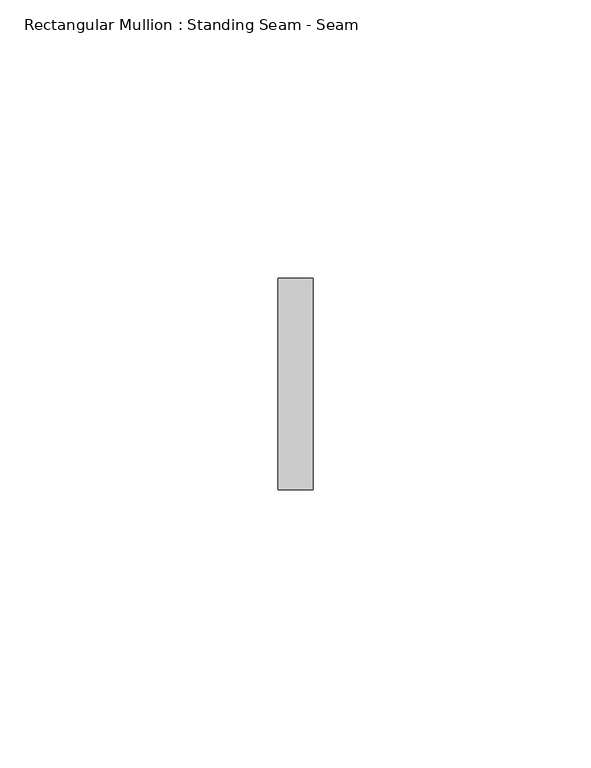
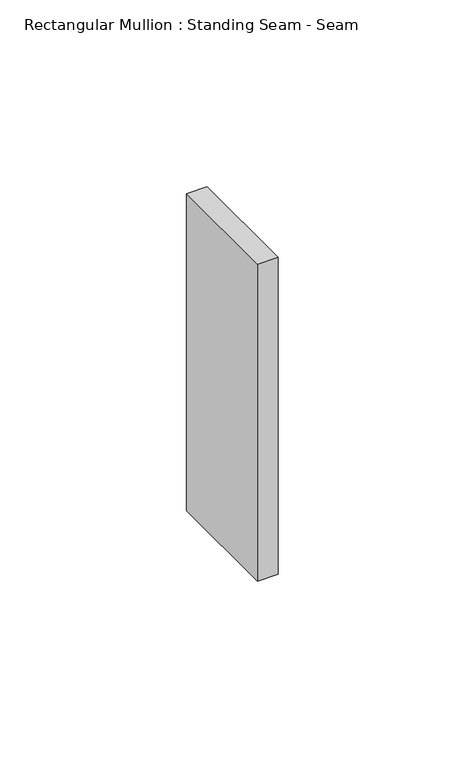
"""IFC4 building model written with IfcOpenShell, lengths in millimetres: member geometry, Rectangular Mullion : Standing Seam - Seam."""

from ifc_helpers import new_model, si_unit, frame, origin, place, context, project, spatial, polyline, outline, extrude, source, transform, mapped, element, save


def rectangular_mullion_standing_seam_seam_cdb5e2d3(model_context):
    return source(origin(), model_context, "Body", "SweptSolid", [
        extrude(outline(polyline([(3.175, 41.275), (3.175, 3.175), (-3.175, 3.175), (-3.175, 41.275), (3.175, 41.275)])), frame((0.0, 0.0, -103.6743857), z_axis=(0.0, 0.0, 1.0), x_axis=(1.0, 0.0, 0.0)), (0.0, 0.0, 1.0), 103.6743857),
    ])


if __name__ == "__main__":
    model = new_model("IFC4")
    model_context = context("Model", 3, world=origin())
    ifc_project = project(units=[si_unit("LENGTHUNIT", "METRE", prefix="MILLI")], contexts=[model_context])
    site = spatial("IfcSite", under=ifc_project)
    building = spatial("IfcBuilding", under=site)
    placement = place(None, origin())
    rectangular_mullion_standing_seam_seam_shape = rectangular_mullion_standing_seam_seam_cdb5e2d3(model_context)
    element("IfcMember", 1, ObjectType="Rectangular Mullion : Standing Seam - Seam", at=placement, inside=building, context=model_context, shape_type="MappedRepresentation", body=[
        mapped(rectangular_mullion_standing_seam_seam_shape, transform((0.0, 0.0, 0.0), x_axis=(1.0, 0.0, 0.0), y_axis=(0.0, 1.0, 0.0), z_axis=(0.0, 0.0, 1.0))),
    ])
    save(model, "model.ifc")
